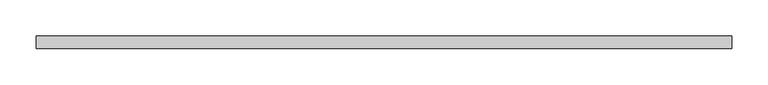
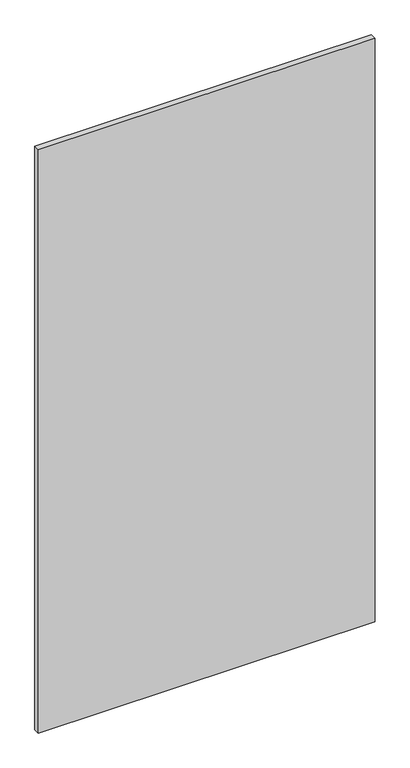
"""IFC4 building model written with IfcOpenShell, lengths in millimetres: plate geometry."""

from ifc_helpers import new_model, si_unit, origin, origin_with_axes, place, context, project, spatial, polyline, outline, extrude, source, transform, mapped, element, save


def plate_c6559bdc(model_context):
    return source(origin(), model_context, "Body", "SweptSolid", [
        extrude(outline(polyline([(480.893627, -8.73125), (-480.893627, -8.73125), (-480.893627, 8.73125), (480.893627, 8.73125), (480.893627, -8.73125)])), origin_with_axes(), (0.0, 0.0, 1.0), 1761.3),
    ])


if __name__ == "__main__":
    model = new_model("IFC4")
    model_context = context("Model", 3, world=origin())
    ifc_project = project(units=[si_unit("LENGTHUNIT", "METRE", prefix="MILLI")], contexts=[model_context])
    site = spatial("IfcSite", under=ifc_project)
    building = spatial("IfcBuilding", under=site)
    placement = place(None, origin())
    plate_shape = plate_c6559bdc(model_context)
    element("IfcPlate", 1, at=placement, inside=building, context=model_context, shape_type="MappedRepresentation", body=[
        mapped(plate_shape, transform((0.0, 0.0, 0.0), x_axis=(1.0, 0.0, 0.0), y_axis=(0.0, 1.0, 0.0), z_axis=(0.0, 0.0, 1.0))),
    ])
    save(model, "model.ifc")
